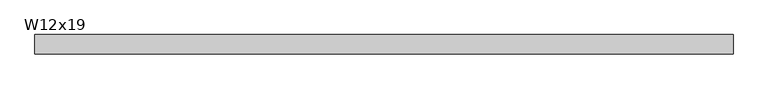
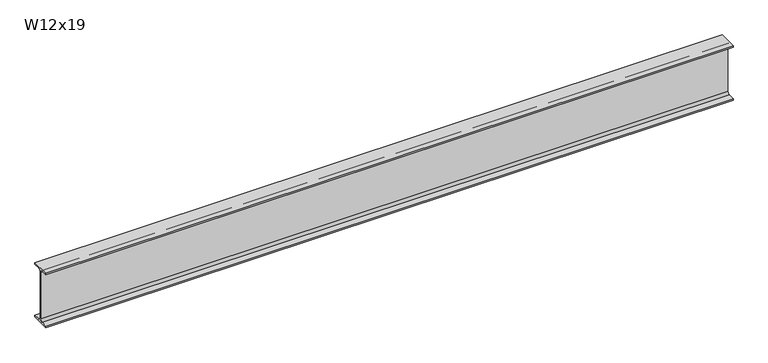
"""IFC4 building model written with IfcOpenShell, lengths in millimetres: beam geometry, W12x19."""

import ifcopenshell
import ifcopenshell.guid

model = None  # the IFC model being written
_history = None  # IfcOwnerHistory: only IFC2X3 demands one
_inside = {}  # id of a spatial element -> (the spatial element, [elements in it])
_under = {}  # id of a project, library or spatial element -> (it, [spatial elements below it])
_declared = {}  # id of a project -> (the project, [libraries it declares])
_typed = {}  # id of a type object -> (the type object, [elements of that type])
_made_of = {}  # id of a material, layer set ... -> (it, [elements and type objects made of it])


def new_model(schema):
    """Start an empty IFC model of exactly this schema.

    Asked for "IFC4X3", IfcOpenShell would pick the latest addendum, in which some entities
    have other attributes; the version numbers below select the first issue.
    IFC2X3 requires an IfcOwnerHistory on every rooted entity: one is made here for all.
    """
    global model, _history
    if schema == "IFC4X3":
        model = ifcopenshell.file(schema_version=(4, 3, 0, 0))
    else:
        model = ifcopenshell.file(schema=schema)
    _inside.clear()
    _under.clear()
    _declared.clear()
    _typed.clear()
    _made_of.clear()
    _history = None
    if model.schema == "IFC2X3":
        org = make("IfcOrganization", Name="unknown")
        user = make(
            "IfcPersonAndOrganization",
            ThePerson=make("IfcPerson", FamilyName="unknown"),
            TheOrganization=org,
        )
        app = make(
            "IfcApplication",
            ApplicationDeveloper=org,
            Version="unknown",
            ApplicationFullName="unknown",
            ApplicationIdentifier="unknown",
        )
        _history = make(
            "IfcOwnerHistory",
            OwningUser=user,
            OwningApplication=app,
            ChangeAction="ADDED",
            CreationDate=0,
        )
    return model


def make(cls, **values):
    """One entity of the class cls with the attributes given. An attribute that is None is left unset."""
    return model.create_entity(
        cls, **{name: value for name, value in values.items() if value is not None}
    )


def rooted(cls, **values):
    """An entity with a GlobalId (a new one), such as an element, a storey or a relation."""
    return make(cls, GlobalId=ifcopenshell.guid.new(), OwnerHistory=_history, **values)


def si_unit(unit_type, name, prefix=None):
    """IfcSIUnit, for example si_unit("LENGTHUNIT", "METRE", prefix="MILLI")."""
    return make("IfcSIUnit", UnitType=unit_type, Prefix=prefix, Name=name)


def assignment(units):
    """IfcUnitAssignment: the units of a project."""
    return None if units is None else make("IfcUnitAssignment", Units=units)


def point(xyz):
    """IfcCartesianPoint."""
    return None if xyz is None else make("IfcCartesianPoint", Coordinates=xyz)


def direction(xyz):
    """IfcDirection."""
    return None if xyz is None else make("IfcDirection", DirectionRatios=xyz)


def frame(location, z_axis=None, x_axis=None):
    """IfcAxis2Placement3D, a coordinate frame: its origin and axes. An axis left out is left unset."""
    return make(
        "IfcAxis2Placement3D",
        Location=point(location),
        Axis=direction(z_axis),
        RefDirection=direction(x_axis),
    )


def frame_2d(location, x_axis=None):
    """IfcAxis2Placement2D, a coordinate frame in the plane: its origin and x axis."""
    return make(
        "IfcAxis2Placement2D", Location=point(location), RefDirection=direction(x_axis)
    )


def origin():
    """The frame at (0, 0, 0) with its axes left unset."""
    return frame((0.0, 0.0, 0.0))


def place(relative_to, where):
    """IfcLocalPlacement: puts the frame where relative to a parent placement (None: the world)."""
    return make(
        "IfcLocalPlacement", PlacementRelTo=relative_to, RelativePlacement=where
    )


def context(
    kind, dimensions, precision=None, world=None, true_north=None, identifier=None
):
    """IfcGeometricRepresentationContext, for example the 3D "Model" context."""
    return make(
        "IfcGeometricRepresentationContext",
        ContextIdentifier=identifier,
        ContextType=kind,
        CoordinateSpaceDimension=dimensions,
        Precision=precision,
        WorldCoordinateSystem=world,
        TrueNorth=true_north,
    )


def project(units=None, contexts=None):
    """IfcProject with its units and contexts."""
    return rooted(
        "IfcProject",
        Name="project",
        RepresentationContexts=contexts,
        UnitsInContext=assignment(units),
    )


def spatial(cls, under=None, at=None, **own):
    """A site, building, storey or space (cls), placed at a placement, below another one or the project."""
    s = rooted(cls, ObjectPlacement=at, **own)
    if under is not None:
        _under.setdefault(under.id(), (under, []))[1].append(s)
    return s


def polyline(points):
    """IfcPolyline through the points."""
    return make("IfcPolyline", Points=[point(p) for p in points])


def circle_curve(where, radius):
    """IfcCircle in the frame where."""
    return make("IfcCircle", Position=where, Radius=radius)


def trimmed(basis, trim1, trim2, sense, master):
    """IfcTrimmedCurve: the piece of a basis curve between two trims."""
    return make(
        "IfcTrimmedCurve",
        BasisCurve=basis,
        Trim1=trim1,
        Trim2=trim2,
        SenseAgreement=sense,
        MasterRepresentation=master,
    )


def segment(curve, same_sense, transition):
    """IfcCompositeCurveSegment."""
    return make(
        "IfcCompositeCurveSegment",
        Transition=transition,
        SameSense=same_sense,
        ParentCurve=curve,
    )


def composite_curve(segments, self_intersect=None):
    """IfcCompositeCurve: segments joined end to end."""
    return make("IfcCompositeCurve", Segments=segments, SelfIntersect=self_intersect)


def outline(outer, holes=None, kind="AREA"):
    """IfcArbitraryClosedProfileDef: a profile drawn as a closed curve; with holes, ...WithVoids."""
    if holes is None:
        return make("IfcArbitraryClosedProfileDef", ProfileType=kind, OuterCurve=outer)
    return make(
        "IfcArbitraryProfileDefWithVoids",
        ProfileType=kind,
        OuterCurve=outer,
        InnerCurves=holes,
    )


def extrude(swept, where, along, depth):
    """IfcExtrudedAreaSolid: the profile swept, set in the frame where, extruded along a direction by depth."""
    return make(
        "IfcExtrudedAreaSolid",
        SweptArea=swept,
        Position=where,
        ExtrudedDirection=direction(along),
        Depth=depth,
    )


def shape(context_of_items, identifier, shape_type, items):
    """IfcShapeRepresentation: the items that make up one representation, for example the "Body"."""
    return make(
        "IfcShapeRepresentation",
        ContextOfItems=context_of_items,
        RepresentationIdentifier=identifier,
        RepresentationType=shape_type,
        Items=items,
    )


def source(mapping_origin, context_of_items, identifier, shape_type, items):
    """IfcRepresentationMap: a shape defined once, which mapped items show again and again."""
    return make(
        "IfcRepresentationMap",
        MappingOrigin=mapping_origin,
        MappedRepresentation=shape(context_of_items, identifier, shape_type, items),
    )


def transform(
    local_origin,
    x_axis=None,
    y_axis=None,
    z_axis=None,
    scale=None,
    scale2=None,
    scale3=None,
    uniform=True,
):
    """IfcCartesianTransformationOperator3D, or its non-uniform kind. x_axis, y_axis, z_axis: its Axis1, 2, 3."""
    if uniform:
        return make(
            "IfcCartesianTransformationOperator3D",
            Axis1=direction(x_axis),
            Axis2=direction(y_axis),
            LocalOrigin=point(local_origin),
            Scale=scale,
            Axis3=direction(z_axis),
        )
    return make(
        "IfcCartesianTransformationOperator3DnonUniform",
        Axis1=direction(x_axis),
        Axis2=direction(y_axis),
        LocalOrigin=point(local_origin),
        Scale=scale,
        Axis3=direction(z_axis),
        Scale2=scale2,
        Scale3=scale3,
    )


def mapped(mapping_source, mapping_target):
    """IfcMappedItem: shows the shape of a source again, moved by a transform."""
    return make(
        "IfcMappedItem", MappingSource=mapping_source, MappingTarget=mapping_target
    )


def made_of(thing, what):
    """Note that an element or type object is made of a material, layer set ...; save() writes the relation."""
    if what is not None:
        _made_of.setdefault(what.id(), (what, []))[1].append(thing)
    return thing


def element(
    cls,
    number,
    at=None,
    inside=None,
    cuts=None,
    type_object=None,
    material=None,
    context=None,
    identifier="Body",
    shape_type=None,
    held_by="IfcProductDefinitionShape",
    body=None,
    shapes=None,
    **own,
):
    """One element of the class cls, such as IfcWall. Its Tag is "e" and its number.

    at: its placement. inside: the storey or other place that contains it. cuts: it is an
    opening in that element (IfcRelVoidsElement). A single representation is given by context,
    identifier, shape_type and body (its items); several are given by shapes. held_by: the class
    of the entity that holds the representations. save() writes the other relations.
    """
    e = rooted(cls, Tag="e%d" % number, ObjectPlacement=at, **own)
    if body is not None:
        shapes = [shape(context, identifier, shape_type, body)]
    if shapes is not None:
        e.Representation = make(held_by, Representations=shapes)
    if inside is not None:
        _inside.setdefault(inside.id(), (inside, []))[1].append(e)
    if cuts is not None:
        rooted(
            "IfcRelVoidsElement", RelatingBuildingElement=cuts, RelatedOpeningElement=e
        )
    if type_object is not None:
        _typed.setdefault(type_object.id(), (type_object, []))[1].append(e)
    return made_of(e, material)


def aggregate(whole, parts):
    """IfcRelAggregates: a whole, such as a stair, and the parts it consists of."""
    return rooted("IfcRelAggregates", RelatingObject=whole, RelatedObjects=parts)


def save(model, path):
    """Write the relations noted so far, then the file.

    IfcRelAggregates (storeys below a building ...), IfcRelContainedInSpatialStructure (elements
    in a storey), IfcRelDefinesByType, IfcRelAssociatesMaterial and IfcRelDeclares: one each for
    every whole, place, type object, material and project.
    """
    for whole, parts in _under.values():
        aggregate(whole, parts)
    for where, things in _inside.values():
        rooted(
            "IfcRelContainedInSpatialStructure",
            RelatedElements=things,
            RelatingStructure=where,
        )
    for kind, things in _typed.values():
        rooted("IfcRelDefinesByType", RelatedObjects=things, RelatingType=kind)
    for what, things in _made_of.values():
        rooted("IfcRelAssociatesMaterial", RelatedObjects=things, RelatingMaterial=what)
    for by, libraries in _declared.values():
        rooted("IfcRelDeclares", RelatingContext=by, RelatedDefinitions=libraries)
    model.write(path)


def w12x19_6be83038(model_context):
    return source(origin(), model_context, "Body", "SweptSolid", [
        extrude(outline(composite_curve([segment(polyline([(50.927, -146.05), (50.927, -154.94), (-50.927, -154.94), (-50.927, -146.05), (-16.3195, -146.05)]), True, "CONTINUOUS"), segment(trimmed(circle_curve(frame_2d((-16.3195, -132.715)), 13.335), [point((-16.3195, -146.05))], [point((-2.9845, -132.715))], True, "CARTESIAN"), True, "CONTINUOUS"), segment(polyline([(-2.9845, -132.715), (-2.9845, 132.715)]), True, "CONTINUOUS"), segment(trimmed(circle_curve(frame_2d((-16.3195, 132.715)), 13.335), [point((-2.9845, 132.715))], [point((-16.3195, 146.05))], True, "CARTESIAN"), True, "CONTINUOUS"), segment(polyline([(-16.3195, 146.05), (-50.927, 146.05), (-50.927, 154.94), (50.927, 154.94), (50.927, 146.05), (16.3195, 146.05)]), True, "CONTINUOUS"), segment(trimmed(circle_curve(frame_2d((16.3195, 132.715)), 13.335), [point((16.3195, 146.05))], [point((2.9845, 132.715))], True, "CARTESIAN"), True, "CONTINUOUS"), segment(polyline([(2.9845, 132.715), (2.9845, -132.715)]), True, "CONTINUOUS"), segment(trimmed(circle_curve(frame_2d((16.3195, -132.715)), 13.335), [point((2.9845, -132.715))], [point((16.3195, -146.05))], True, "CARTESIAN"), True, "CONTINUOUS"), segment(polyline([(16.3195, -146.05), (50.927, -146.05)]), True, "CONTINUOUS")], self_intersect=False)), frame((-1802.8920897, 0.0, 0.0), z_axis=(1.0, 0.0, 0.0), x_axis=(0.0, 1.0, 0.0)), (0.0, 0.0, 1.0), 3707.8920897),
    ])


if __name__ == "__main__":
    model = new_model("IFC4")
    model_context = context("Model", 3, world=origin())
    ifc_project = project(units=[si_unit("LENGTHUNIT", "METRE", prefix="MILLI")], contexts=[model_context])
    site = spatial("IfcSite", under=ifc_project)
    building = spatial("IfcBuilding", under=site)
    placement = place(None, origin())
    w12x19_shape = w12x19_6be83038(model_context)
    element("IfcBeam", 1, ObjectType="W12x19", at=placement, inside=building, context=model_context, shape_type="MappedRepresentation", body=[
        mapped(w12x19_shape, transform((0.0, 0.0, 0.0), x_axis=(1.0, 0.0, 0.0), y_axis=(0.0, 1.0, 0.0), z_axis=(0.0, 0.0, 1.0))),
    ])
    save(model, "model.ifc")
